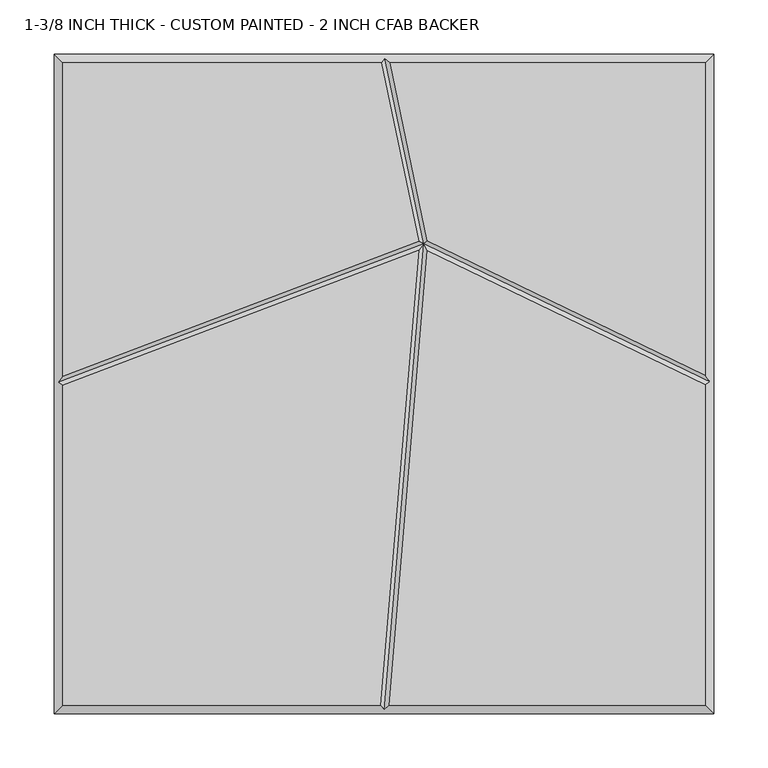
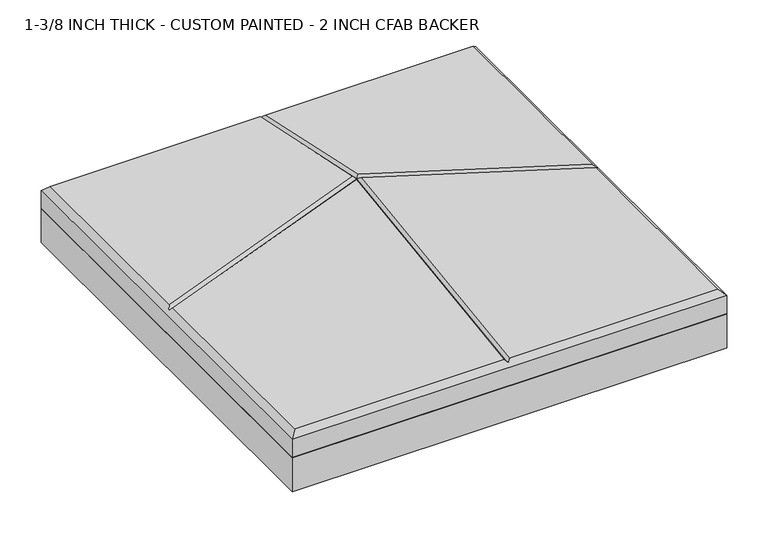
"""IFC4 building model written with IfcOpenShell, lengths in millimetres: proxy geometry, 1-3/8 INCH THICK - CUSTOM PAINTED - 2 INCH CFAB BACKER."""

from ifc_helpers import new_model, si_unit, frame, origin, place, context, project, spatial, polyline, outline, extrude, faceted_brep, source, transform, mapped, element, save


def proxy_1_3_8_inch_thick_custom_painted_2_inch_cfab_backer_6bc32ebf(model_context):
    return source(origin(), model_context, "Body", "SolidModel", [
        extrude(outline(polyline([(-304.8, 304.8), (304.8, 304.8), (304.8, -304.8), (-304.8, -304.8), (-304.8, 304.8)])), frame((0.0, 0.0, -50.8), z_axis=(0.0, 0.0, 1.0), x_axis=(1.0, 0.0, 0.0)), (0.0, 0.0, 1.0), 50.8),
        faceted_brep([(-296.799, -1.2448936, 34.925), (-296.799, -296.799, 34.925), (-3.3400901, -296.799, 34.925), (32.0932726, 123.4506539, 34.925), (-296.799, 296.799, 34.925), (-296.799, 7.3118593, 34.925), (31.9984357, 131.9714505, 34.925), (-2.4162247, 296.799, 34.925), (296.799, -296.799, 34.925), (296.799, -0.5803511, 34.925), (40.1110006, 123.3123478, 34.925), (4.6892992, -296.799, 34.925), (296.799, 8.3038558, 34.925), (296.799, 296.799, 34.925), (5.757313, 296.799, 34.925), (40.1265394, 132.1890548, 34.925), (-304.8, 304.8, 0.0), (304.8, 304.8, 0.0), (304.8, -304.8, 0.0), (-304.8, -304.8, 0.0), (-304.8, -304.8, 26.924), (-304.8, 304.8, 26.924), (304.8, -304.8, 26.924), (304.8, 304.8, 26.924), (0.8352721, 300.7995, 30.9245), (-300.7995, 1.5167414, 30.9245), (0.3373023, -300.7995, 30.9245), (300.7995, 1.9308762, 30.9245), (36.6131869, 129.4427015, 30.9245)], [[[0, 1, 2, 3]], [[4, 5, 6, 7]], [[8, 9, 10, 11]], [[12, 13, 14, 15]], [[16, 17, 18, 19]], [[16, 19, 20, 21]], [[19, 18, 22, 20]], [[18, 17, 23, 22]], [[17, 16, 21, 23]], [[21, 4, 7, 24, 14, 13, 23]], [[4, 21, 20, 1, 0, 25, 5]], [[1, 20, 22, 8, 11, 26, 2]], [[23, 13, 12, 27, 9, 8, 22]], [[27, 28, 10, 9]], [[28, 27, 12, 15]], [[28, 25, 0, 3]], [[25, 28, 6, 5]], [[24, 28, 15, 14]], [[28, 24, 7, 6]], [[28, 26, 11, 10]], [[26, 28, 3, 2]]]),
    ])


if __name__ == "__main__":
    model = new_model("IFC4")
    model_context = context("Model", 3, world=origin())
    ifc_project = project(units=[si_unit("LENGTHUNIT", "METRE", prefix="MILLI")], contexts=[model_context])
    site = spatial("IfcSite", under=ifc_project)
    building = spatial("IfcBuilding", under=site)
    placement = place(None, origin())
    proxy_1_3_8_inch_thick_custom_painted_2_inch_cfab_backer_shape = proxy_1_3_8_inch_thick_custom_painted_2_inch_cfab_backer_6bc32ebf(model_context)
    element("IfcBuildingElementProxy", 1, Name="1-3/8 INCH THICK - CUSTOM PAINTED - 2 INCH CFAB BACKER", ObjectType="1-3/8 INCH THICK - CUSTOM PAINTED - 2 INCH CFAB BACKER", at=placement, inside=building, context=model_context, shape_type="MappedRepresentation", body=[
        mapped(proxy_1_3_8_inch_thick_custom_painted_2_inch_cfab_backer_shape, transform((0.0, 0.0, 0.0), x_axis=(1.0, 0.0, 0.0), y_axis=(0.0, 1.0, 0.0), z_axis=(0.0, 0.0, 1.0))),
    ])
    save(model, "model.ifc")
